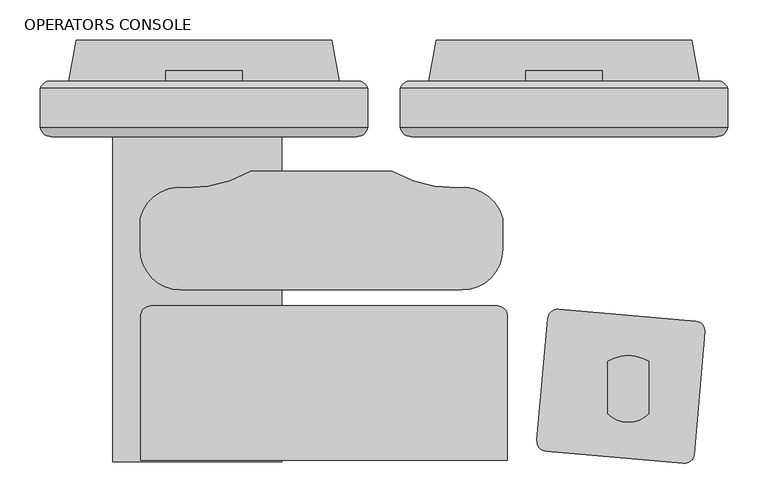
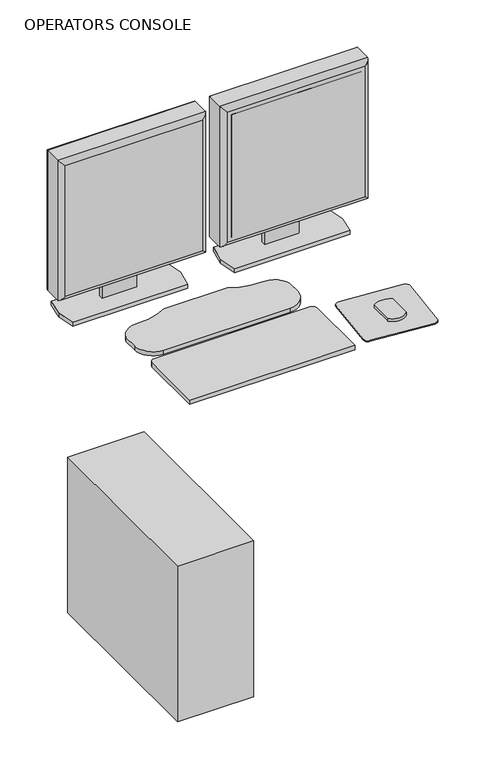
"""IFC4 building model written with IfcOpenShell, lengths in millimetres: proxy geometry, OPERATORS CONSOLE."""

from ifc_helpers import new_model, si_unit, point, frame, frame_2d, origin, origin_with_axes, place, context, project, spatial, polyline, circle_curve, ellipse_curve, trimmed, segment, composite_curve, outline, extrude, source, transform, mapped, element, save
from ifc_brep_helpers import plane_surface, cylinder_surface, advanced_brep


def operators_console_a6f9432b(model_context):
    return source(origin(), model_context, "Body", "SolidModel", [
        advanced_brep(
        [(84.867805, -136.491636, 1419.86), (84.867805, -179.6223166, 1419.86), (84.867805, -184.6193594, 1419.86), (493.807805, -184.6193594, 1419.86), (493.807805, -179.6223166, 1419.86), (493.807805, -136.491636, 1419.86), (493.807805, -136.491636, 1010.2963264), (493.807805, -179.6223166, 1010.2963264), (493.807805, -184.6193594, 1010.2963264), (84.867805, -184.6193594, 1010.2963264), (84.867805, -179.6223166, 1010.2963264), (84.867805, -136.491636, 1010.2963264), (94.105441, -127.254, 1019.5339624), (94.105441, -127.254, 1410.622364), (484.5701691, -127.254, 1410.622364), (484.5701691, -127.254, 1019.5339624), (99.0319657, -196.5036769, 1405.694569), (99.0319657, -196.5036769, 1024.4617574), (479.642374, -196.5036769, 1024.460487), (479.6436444, -196.5036769, 1405.694569)],
        [
            (0, 1),
            (1, 2),
            (2, 3),
            (3, 4),
            (4, 5),
            (5, 0),
            (6, 7),
            (7, 8),
            (8, 9),
            (9, 10),
            (10, 11),
            (11, 6),
            (12, 13),
            (13, 14),
            (14, 15),
            (15, 12),
            (0, 11),
            (9, 2),
            (16, 17),
            (17, 18),
            (18, 19),
            (19, 16),
            (3, 8),
            (6, 5),
            (12, 11, ellipse_curve(frame((100.9824933, -143.3686883, 1026.4110147), z_axis=(-0.7071067811865452, 0.0, 0.7071067811865498), x_axis=(-0.7071067811865498, 0.0, -0.7071067811865452)), 24.7780962, 17.5207599)),
            (0, 13, ellipse_curve(frame((100.9824933, -143.3686883, 1403.7453117), z_axis=(-0.7071067811865498, 0.0, -0.7071067811865452), x_axis=(0.7071067811865452, 0.0, -0.7071067811865498)), 24.7780962, 17.5207599)),
            (16, 2, ellipse_curve(frame((99.0319657, -182.120838, 1405.6958394), z_axis=(-0.7071067811865498, 0.0, -0.7071067811865452), x_axis=(0.7071067811865452, 0.0, -0.7071067811865498)), 20.3404059, 14.3828389)),
            (9, 17, ellipse_curve(frame((99.0319657, -182.120838, 1024.460487), z_axis=(-0.7071067811865452, 0.0, 0.7071067811865498), x_axis=(-0.7071067811865498, 0.0, -0.7071067811865452)), 20.3404059, 14.3828389)),
            (15, 6, ellipse_curve(frame((477.6931168, -143.3686883, 1026.4110147), z_axis=(-0.7071067811865498, 0.0, -0.7071067811865452), x_axis=(0.7071067811865452, 0.0, -0.7071067811865497)), 24.7780962, 17.5207599)),
            (8, 18, ellipse_curve(frame((479.6436444, -182.120838, 1024.460487), z_axis=(-0.7071067811865498, 0.0, -0.7071067811865452), x_axis=(0.7071067811865452, 0.0, -0.7071067811865497)), 20.3404059, 14.3828389)),
            (14, 5, ellipse_curve(frame((477.6931168, -143.3686883, 1403.7453117), z_axis=(0.7071067811865452, 0.0, -0.7071067811865498), x_axis=(0.7071067811865498, 0.0, 0.7071067811865452)), 24.7780962, 17.5207599)),
            (3, 19, ellipse_curve(frame((479.6436444, -182.120838, 1405.6958394), z_axis=(0.7071067811865452, 0.0, -0.7071067811865498), x_axis=(0.7071067811865498, 0.0, 0.7071067811865452)), 20.3404059, 14.3828389)),
        ],
        [
            plane_surface(frame((89.947805, -127.254, 1419.86), z_axis=(0.0, 0.0, 1.0), x_axis=(-1.0, 0.0, 0.0))),
            plane_surface(frame((89.947805, -127.254, 1010.2963264), z_axis=(0.0, 0.0, -1.0), x_axis=(1.0, 0.0, 0.0))),
            plane_surface(frame((493.807805, -127.254, 1419.86), z_axis=(0.0, 1.0, 0.0), x_axis=(0.0, 0.0, -1.0))),
            plane_surface(frame((84.867805, -127.254, 1419.86), z_axis=(-1.0, 0.0, 0.0), x_axis=(0.0, 0.0, -1.0))),
            plane_surface(frame((84.867805, -196.5036769, 1419.86), z_axis=(0.0, -1.0, 0.0), x_axis=(0.0, 0.0, -1.0))),
            plane_surface(frame((493.807805, -196.5036769, 1419.86), z_axis=(1.0, 0.0, 0.0), x_axis=(0.0, 0.0, -1.0))),
            cylinder_surface(frame((100.9824933, -143.3686883, 1419.86), z_axis=(0.0, 0.0, -1.0), x_axis=(0.0, 1.0, 0.0)), 17.5207599),
            cylinder_surface(frame((99.0319657, -182.120838, 1419.86), z_axis=(0.0, 0.0, -1.0), x_axis=(0.0, 1.0, 0.0)), 14.3828389),
            cylinder_surface(frame((84.867805, -143.3686883, 1026.4110147), z_axis=(1.0, 0.0, 0.0), x_axis=(0.0, 1.0, 0.0)), 17.5207599),
            cylinder_surface(frame((84.867805, -182.120838, 1024.460487), z_axis=(1.0, 0.0, 0.0), x_axis=(0.0, 1.0, 0.0)), 14.3828389),
            cylinder_surface(frame((477.6931168, -143.3686883, 1010.2963264), z_axis=(0.0, 0.0, 1.0), x_axis=(0.0, 1.0, 0.0)), 17.5207599),
            cylinder_surface(frame((479.6436444, -182.120838, 1010.2963264), z_axis=(0.0, 0.0, 1.0), x_axis=(0.0, 1.0, 0.0)), 14.3828389),
            cylinder_surface(frame((493.807805, -143.3686883, 1403.7453117), z_axis=(-1.0, 0.0, 0.0), x_axis=(0.0, 1.0, 0.0)), 17.5207599),
            cylinder_surface(frame((493.807805, -182.120838, 1405.6958394), z_axis=(-1.0, 0.0, 0.0), x_axis=(0.0, 1.0, 0.0)), 14.3828389),
        ],
        [
            (0, [[1, 2, 3, 4, 5, 6]]),
            (1, [[7, 8, 9, 10, 11, 12]]),
            (2, [[13, 14, 15, 16]]),
            (3, [[-1, 17, -11, -10, 18, -2]]),
            (4, [[19, 20, 21, 22]]),
            (5, [[-5, -4, 23, -8, -7, 24]]),
            (6, [[25, -17, 26, -13]]),
            (7, [[27, -18, 28, -19]]),
            (8, [[-25, -16, 29, -12]]),
            (9, [[30, -20, -28, -9]]),
            (10, [[-29, -15, 31, -24]]),
            (11, [[32, -21, -30, -23]]),
            (12, [[-26, -6, -31, -14]]),
            (13, [[-27, -22, -32, -3]]),
        ],
    ),
        extrude(outline(polyline([(110.267805, -190.5898978), (468.407805, -190.5898978), (468.407805, -196.5036769), (110.267805, -196.5036769), (110.267805, -190.5898978)])), frame((0.0, 0.0, 1035.6963264), z_axis=(0.0, 0.0, 1.0), x_axis=(1.0, 0.0, 0.0)), (0.0, 0.0, 1.0), 358.7636736),
        extrude(outline(polyline([(-127.254, 1236.2794056), (-114.5728288, 1236.2794056), (-114.5728288, 926.6153731), (-127.254, 926.6153731), (-127.254, 1006.8339624), (-124.5167676, 1006.8339624), (-124.5167676, 1019.5339624), (-127.254, 1019.5339624), (-127.254, 1236.2794056)])), frame((241.712805, 0.0, 0.0), z_axis=(1.0, 0.0, 0.0), x_axis=(0.0, 1.0, 0.0)), (0.0, 0.0, 1.0), 95.25),
        extrude(outline(polyline([(120.681805, -127.254), (129.825805, -76.2), (448.849805, -76.2), (457.993805, -127.254), (448.849805, -178.308), (129.825805, -178.308), (120.681805, -127.254)])), frame((0.0, 0.0, 914.4), z_axis=(0.0, 0.0, 1.0), x_axis=(1.0, 0.0, 0.0)), (0.0, 0.0, 1.0), 12.2153731),
        advanced_brep(
        [(-363.982, -136.491636, 1419.86), (-363.982, -179.6223166, 1419.86), (-363.982, -184.6193594, 1419.86), (44.958, -184.6193594, 1419.86), (44.958, -179.6223166, 1419.86), (44.958, -136.491636, 1419.86), (44.958, -136.491636, 1010.2963264), (44.958, -179.6223166, 1010.2963264), (44.958, -184.6193594, 1010.2963264), (-363.982, -184.6193594, 1010.2963264), (-363.982, -179.6223166, 1010.2963264), (-363.982, -136.491636, 1010.2963264), (-354.744364, -127.254, 1019.5339624), (-354.744364, -127.254, 1410.622364), (35.720364, -127.254, 1410.622364), (35.720364, -127.254, 1019.5339624), (-349.8178394, -196.5036769, 1405.694569), (-349.8178394, -196.5036769, 1024.4617574), (30.792569, -196.5036769, 1024.460487), (30.7938394, -196.5036769, 1405.694569)],
        [
            (0, 1),
            (1, 2),
            (2, 3),
            (3, 4),
            (4, 5),
            (5, 0),
            (6, 7),
            (7, 8),
            (8, 9),
            (9, 10),
            (10, 11),
            (11, 6),
            (12, 13),
            (13, 14),
            (14, 15),
            (15, 12),
            (0, 11),
            (9, 2),
            (16, 17),
            (17, 18),
            (18, 19),
            (19, 16),
            (3, 8),
            (6, 5),
            (12, 11, ellipse_curve(frame((-347.8673117, -143.3686883, 1026.4110147), z_axis=(-0.7071067811865452, 0.0, 0.7071067811865498), x_axis=(-0.7071067811865498, 0.0, -0.7071067811865452)), 24.7780962, 17.5207599)),
            (0, 13, ellipse_curve(frame((-347.8673117, -143.3686883, 1403.7453117), z_axis=(-0.7071067811865498, 0.0, -0.7071067811865452), x_axis=(0.7071067811865452, 0.0, -0.7071067811865498)), 24.7780962, 17.5207599)),
            (16, 2, ellipse_curve(frame((-349.8178394, -182.120838, 1405.6958394), z_axis=(-0.7071067811865498, 0.0, -0.7071067811865452), x_axis=(0.7071067811865452, 0.0, -0.7071067811865498)), 20.3404059, 14.3828389)),
            (9, 17, ellipse_curve(frame((-349.8178394, -182.120838, 1024.460487), z_axis=(-0.7071067811865452, 0.0, 0.7071067811865498), x_axis=(-0.7071067811865498, 0.0, -0.7071067811865452)), 20.3404059, 14.3828389)),
            (15, 6, ellipse_curve(frame((28.8433117, -143.3686883, 1026.4110147), z_axis=(-0.7071067811865498, 0.0, -0.7071067811865452), x_axis=(0.7071067811865452, 0.0, -0.7071067811865497)), 24.7780962, 17.5207599)),
            (8, 18, ellipse_curve(frame((30.7938394, -182.120838, 1024.460487), z_axis=(-0.7071067811865498, 0.0, -0.7071067811865452), x_axis=(0.7071067811865452, 0.0, -0.7071067811865497)), 20.3404059, 14.3828389)),
            (14, 5, ellipse_curve(frame((28.8433117, -143.3686883, 1403.7453117), z_axis=(0.7071067811865452, 0.0, -0.7071067811865498), x_axis=(0.7071067811865498, 0.0, 0.7071067811865452)), 24.7780962, 17.5207599)),
            (3, 19, ellipse_curve(frame((30.7938394, -182.120838, 1405.6958394), z_axis=(0.7071067811865452, 0.0, -0.7071067811865498), x_axis=(0.7071067811865498, 0.0, 0.7071067811865452)), 20.3404059, 14.3828389)),
        ],
        [
            plane_surface(frame((-358.902, -127.254, 1419.86), z_axis=(0.0, 0.0, 1.0), x_axis=(-1.0, 0.0, 0.0))),
            plane_surface(frame((-358.902, -127.254, 1010.2963264), z_axis=(0.0, 0.0, -1.0), x_axis=(1.0, 0.0, 0.0))),
            plane_surface(frame((44.958, -127.254, 1419.86), z_axis=(0.0, 1.0, 0.0), x_axis=(0.0, 0.0, -1.0))),
            plane_surface(frame((-363.982, -127.254, 1419.86), z_axis=(-1.0, 0.0, 0.0), x_axis=(0.0, 0.0, -1.0))),
            plane_surface(frame((-363.982, -196.5036769, 1419.86), z_axis=(0.0, -1.0, 0.0), x_axis=(0.0, 0.0, -1.0))),
            plane_surface(frame((44.958, -196.5036769, 1419.86), z_axis=(1.0, 0.0, 0.0), x_axis=(0.0, 0.0, -1.0))),
            cylinder_surface(frame((-347.8673117, -143.3686883, 1419.86), z_axis=(0.0, 0.0, -1.0), x_axis=(0.0, 1.0, 0.0)), 17.5207599),
            cylinder_surface(frame((-349.8178394, -182.120838, 1419.86), z_axis=(0.0, 0.0, -1.0), x_axis=(0.0, 1.0, 0.0)), 14.3828389),
            cylinder_surface(frame((-363.982, -143.3686883, 1026.4110147), z_axis=(1.0, 0.0, 0.0), x_axis=(0.0, 1.0, 0.0)), 17.5207599),
            cylinder_surface(frame((-363.982, -182.120838, 1024.460487), z_axis=(1.0, 0.0, 0.0), x_axis=(0.0, 1.0, 0.0)), 14.3828389),
            cylinder_surface(frame((28.8433117, -143.3686883, 1010.2963264), z_axis=(0.0, 0.0, 1.0), x_axis=(0.0, 1.0, 0.0)), 17.5207599),
            cylinder_surface(frame((30.7938394, -182.120838, 1010.2963264), z_axis=(0.0, 0.0, 1.0), x_axis=(0.0, 1.0, 0.0)), 14.3828389),
            cylinder_surface(frame((44.958, -143.3686883, 1403.7453117), z_axis=(-1.0, 0.0, 0.0), x_axis=(0.0, 1.0, 0.0)), 17.5207599),
            cylinder_surface(frame((44.958, -182.120838, 1405.6958394), z_axis=(-1.0, 0.0, 0.0), x_axis=(0.0, 1.0, 0.0)), 14.3828389),
        ],
        [
            (0, [[1, 2, 3, 4, 5, 6]]),
            (1, [[7, 8, 9, 10, 11, 12]]),
            (2, [[13, 14, 15, 16]]),
            (3, [[-1, 17, -11, -10, 18, -2]]),
            (4, [[19, 20, 21, 22]]),
            (5, [[-5, -4, 23, -8, -7, 24]]),
            (6, [[25, -17, 26, -13]]),
            (7, [[27, -18, 28, -19]]),
            (8, [[-25, -16, 29, -12]]),
            (9, [[30, -20, -28, -9]]),
            (10, [[-29, -15, 31, -24]]),
            (11, [[32, -21, -30, -23]]),
            (12, [[-26, -6, -31, -14]]),
            (13, [[-27, -22, -32, -3]]),
        ],
    ),
        extrude(outline(polyline([(-338.582, -190.5898978), (19.558, -190.5898978), (19.558, -196.5036769), (-338.582, -196.5036769), (-338.582, -190.5898978)])), frame((0.0, 0.0, 1035.6963264), z_axis=(0.0, 0.0, 1.0), x_axis=(1.0, 0.0, 0.0)), (0.0, 0.0, 1.0), 358.7636736),
        extrude(outline(polyline([(-127.254, 1236.2794056), (-114.5728288, 1236.2794056), (-114.5728288, 926.6153731), (-127.254, 926.6153731), (-127.254, 1006.8339624), (-124.5167676, 1006.8339624), (-124.5167676, 1019.5339624), (-127.254, 1019.5339624), (-127.254, 1236.2794056)])), frame((-207.137, 0.0, 0.0), z_axis=(1.0, 0.0, 0.0), x_axis=(0.0, 1.0, 0.0)), (0.0, 0.0, 1.0), 95.25),
        extrude(outline(polyline([(-273.2626526, -601.98), (-273.2626526, -76.2), (-62.4426526, -76.2), (-62.4426526, -601.98), (-273.2626526, -601.98)])), origin_with_axes(), (0.0, 0.0, 1.0), 454.66),
        extrude(outline(composite_curve([segment(trimmed(circle_curve(frame_2d((-188.3957152, -336.9073388)), 50.8), [point((-188.3957152, -387.7073388))], [point((-239.1957152, -336.9073388))], False, "CARTESIAN"), True, "CONTINUOUS"), segment(polyline([(-239.1957152, -336.9073388), (-239.1957152, -298.0826862)]), True, "CONTINUOUS"), segment(trimmed(circle_curve(frame_2d((-189.1990049, -311.5124251)), 51.7689959), [point((-239.1957152, -298.0826862))], [point((-182.1640967, -260.2236446))], False, "CARTESIAN"), True, "CONTINUOUS"), segment(trimmed(circle_curve(frame_2d((-178.1921881, -105.2358731)), 155.0386577), [point((-182.1640967, -260.2236446))], [point((-101.2816124, -239.8529178))], True, "CARTESIAN"), True, "CONTINUOUS"), segment(trimmed(circle_curve(frame_2d((-13.1357152, -1092.2236316)), 856.9162929), [point((-101.2816124, -239.8529178))], [point((75.0101819, -239.8529178))], False, "CARTESIAN"), True, "CONTINUOUS"), segment(trimmed(circle_curve(frame_2d((151.9207577, -105.2358731)), 155.0386577), [point((75.0101819, -239.8529178))], [point((155.8926662, -260.2236446))], True, "CARTESIAN"), True, "CONTINUOUS"), segment(trimmed(circle_curve(frame_2d((162.9275744, -311.5124251)), 51.7689959), [point((155.8926662, -260.2236446))], [point((212.9242848, -298.0826862))], False, "CARTESIAN"), True, "CONTINUOUS"), segment(polyline([(212.9242848, -298.0826862), (212.9242848, -336.9073388)]), True, "CONTINUOUS"), segment(trimmed(circle_curve(frame_2d((162.1242848, -336.9073388)), 50.8), [point((212.9242848, -336.9073388))], [point((162.1242848, -387.7073388))], False, "CARTESIAN"), True, "CONTINUOUS"), segment(polyline([(162.1242848, -387.7073388), (-188.3957152, -387.7073388)]), True, "CONTINUOUS")], self_intersect=False)), frame((0.0, 0.0, 914.4), z_axis=(0.0, 0.0, 1.0), x_axis=(1.0, 0.0, 0.0)), (0.0, 0.0, 1.0), 12.2153731),
        extrude(outline(composite_curve([segment(trimmed(circle_curve(frame_2d((281.6515965, -424.5127358)), 12.7), [point((268.9999238, -423.4058579))], [point((282.7584744, -411.8610632))], False, "CARTESIAN"), True, "CONTINUOUS"), segment(polyline([(282.7584744, -411.8610632), (453.5560554, -426.8039153)]), True, "CONTINUOUS"), segment(trimmed(circle_curve(frame_2d((452.4491775, -439.4555879)), 12.7), [point((453.5560554, -426.8039153))], [point((465.1008502, -440.5624658))], False, "CARTESIAN"), True, "CONTINUOUS"), segment(polyline([(465.1008502, -440.5624658), (451.818315, -592.3825378)]), True, "CONTINUOUS"), segment(trimmed(circle_curve(frame_2d((439.1666423, -591.2756599)), 12.7), [point((451.818315, -592.3825378))], [point((438.0597644, -603.9273326))], False, "CARTESIAN"), True, "CONTINUOUS"), segment(polyline([(438.0597644, -603.9273326), (267.2621834, -588.9844805)]), True, "CONTINUOUS"), segment(trimmed(circle_curve(frame_2d((268.3690613, -576.3328078)), 12.7), [point((267.2621834, -588.9844805))], [point((255.7173886, -575.2259299))], False, "CARTESIAN"), True, "CONTINUOUS"), segment(polyline([(255.7173886, -575.2259299), (268.9999238, -423.4058579)]), True, "CONTINUOUS")], self_intersect=False)), frame((0.0, 0.0, 914.4), z_axis=(0.0, 0.0, 1.0), x_axis=(1.0, 0.0, 0.0)), (0.0, 0.0, 1.0), 2.9133962),
        extrude(outline(composite_curve([segment(trimmed(circle_curve(frame_2d((369.5942809, -517.3693638)), 35.5491443), [point((394.9942809, -542.2406657))], [point((344.1942809, -542.2406657))], False, "CARTESIAN"), True, "CONTINUOUS"), segment(polyline([(344.1942809, -542.2406657), (344.1942809, -476.945319)]), True, "CONTINUOUS"), segment(trimmed(circle_curve(frame_2d((369.5942809, -515.1227321)), 45.8549329), [point((344.1942809, -476.945319))], [point((394.9942809, -476.945319))], False, "CARTESIAN"), True, "CONTINUOUS"), segment(polyline([(394.9942809, -476.945319), (394.9942809, -542.2406657)]), True, "CONTINUOUS")], self_intersect=False)), frame((0.0, 0.0, 917.3133962), z_axis=(0.0, 0.0, 1.0), x_axis=(1.0, 0.0, 0.0)), (0.0, 0.0, 1.0), 9.3019768),
        extrude(outline(polyline([(-328.168, -127.254), (-319.024, -76.2), (0.0, -76.2), (9.144, -127.254), (0.0, -178.308), (-319.024, -178.308), (-328.168, -127.254)])), frame((0.0, 0.0, 914.4), z_axis=(0.0, 0.0, 1.0), x_axis=(1.0, 0.0, 0.0)), (0.0, 0.0, 1.0), 12.2153731),
        extrude(outline(composite_curve([segment(trimmed(circle_curve(frame_2d((-225.7227996, -420.272695)), 12.7), [point((-238.4227996, -420.272695))], [point((-225.7227996, -407.572695))], False, "CARTESIAN"), True, "CONTINUOUS"), segment(polyline([(-225.7227996, -407.572695), (206.0772004, -407.572695)]), True, "CONTINUOUS"), segment(trimmed(circle_curve(frame_2d((206.0772004, -420.272695)), 12.7), [point((206.0772004, -407.572695))], [point((218.7772004, -420.272695))], False, "CARTESIAN"), True, "CONTINUOUS"), segment(polyline([(218.7772004, -420.272695), (218.7772004, -600.3435701)]), True, "CONTINUOUS"), segment(trimmed(circle_curve(frame_2d((-9.8227996, 1699.9107469)), 2311.5855777), [point((218.7772004, -600.3435701))], [point((-238.4227996, -600.3435701))], False, "CARTESIAN"), True, "CONTINUOUS"), segment(polyline([(-238.4227996, -600.3435701), (-238.4227996, -420.272695)]), True, "CONTINUOUS")], self_intersect=False)), frame((0.0, 0.0, 914.4), z_axis=(0.0, 0.0, 1.0), x_axis=(1.0, 0.0, 0.0)), (0.0, 0.0, 1.0), 12.2153731),
    ])


if __name__ == "__main__":
    model = new_model("IFC4")
    model_context = context("Model", 3, world=origin())
    ifc_project = project(units=[si_unit("LENGTHUNIT", "METRE", prefix="MILLI")], contexts=[model_context])
    site = spatial("IfcSite", under=ifc_project)
    building = spatial("IfcBuilding", under=site)
    placement = place(None, origin())
    operators_console_shape = operators_console_a6f9432b(model_context)
    element("IfcBuildingElementProxy", 1, Name="OPERATORS CONSOLE", ObjectType="OPERATORS CONSOLE", at=placement, inside=building, context=model_context, shape_type="MappedRepresentation", body=[
        mapped(operators_console_shape, transform((0.0, 0.0, 0.0), x_axis=(1.0, 0.0, 0.0), y_axis=(0.0, 1.0, 0.0), z_axis=(0.0, 0.0, 1.0))),
    ])
    save(model, "model.ifc")
